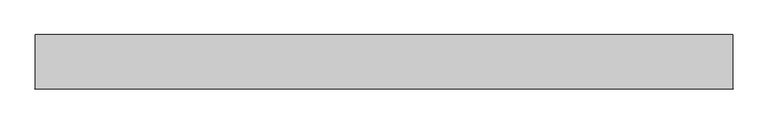
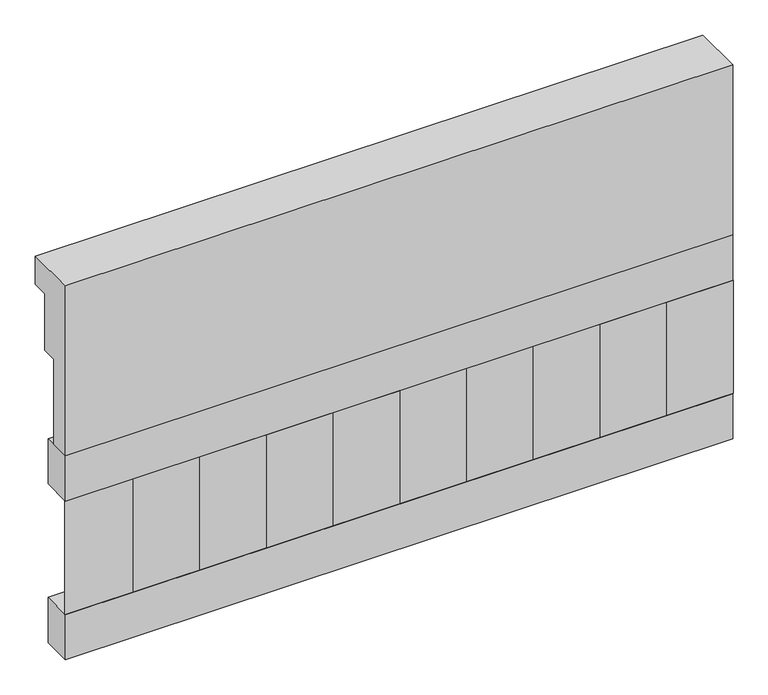
"""IFC4 building model written with IfcOpenShell, lengths in millimetres: railing geometry."""

from ifc_helpers import new_model, si_unit, frame, origin, place, context, project, spatial, polyline, outline, extrude, source, transform, mapped, element, save


def railing_8b920639(model_context):
    return source(origin(), model_context, "Body", "SweptSolid", [
        extrude(outline(polyline([(903.1079487, 25100.0), (1033.1079487, 25100.0), (1033.1079487, 25025.0), (993.1079487, 25025.0), (993.1079487, 24875.0), (953.1079487, 24875.0), (953.1079487, 24650.0), (903.1079487, 24650.0), (903.1079487, 25100.0)])), frame((22660.0112841, 0.0, 0.0), z_axis=(1.0, 0.0, 0.0), x_axis=(0.0, 1.0, 0.0)), (0.0, 0.0, 1.0), 1670.0),
        extrude(outline(polyline([(24330.0112841, 978.1079487), (24330.0112841, 903.1079487), (22660.0112841, 903.1079487), (22660.0112841, 978.1079487), (24330.0112841, 978.1079487)])), frame((0.0, 0.0, 24530.0), z_axis=(0.0, 0.0, 1.0), x_axis=(1.0, 0.0, 0.0)), (0.0, 0.0, 1.0), 120.0),
        extrude(outline(polyline([(24330.0112841, 978.1079487), (24330.0112841, 903.1079487), (22660.0112841, 903.1079487), (22660.0112841, 978.1079487), (24330.0112841, 978.1079487)])), frame((0.0, 0.0, 24110.0), z_axis=(0.0, 0.0, 1.0), x_axis=(1.0, 0.0, 0.0)), (0.0, 0.0, 1.0), 120.0),
        extrude(outline(polyline([(22743.5112841, 987.9607624), (22828.3640978, 903.1079487), (22658.6584704, 903.1079487), (22743.5112841, 987.9607624)])), frame((0.0, 0.0, 24230.0), z_axis=(0.0, 0.0, 1.0), x_axis=(1.0, 0.0, 0.0)), (0.0, 0.0, 1.0), 300.0),
        extrude(outline(polyline([(22910.5112841, 987.9607624), (22995.3640978, 903.1079487), (22825.6584704, 903.1079487), (22910.5112841, 987.9607624)])), frame((0.0, 0.0, 24230.0), z_axis=(0.0, 0.0, 1.0), x_axis=(1.0, 0.0, 0.0)), (0.0, 0.0, 1.0), 300.0),
        extrude(outline(polyline([(23077.5112841, 987.9607624), (23162.3640978, 903.1079487), (22992.6584704, 903.1079487), (23077.5112841, 987.9607624)])), frame((0.0, 0.0, 24230.0), z_axis=(0.0, 0.0, 1.0), x_axis=(1.0, 0.0, 0.0)), (0.0, 0.0, 1.0), 300.0),
        extrude(outline(polyline([(23244.5112841, 987.9607624), (23329.3640978, 903.1079487), (23159.6584704, 903.1079487), (23244.5112841, 987.9607624)])), frame((0.0, 0.0, 24230.0), z_axis=(0.0, 0.0, 1.0), x_axis=(1.0, 0.0, 0.0)), (0.0, 0.0, 1.0), 300.0),
        extrude(outline(polyline([(23411.5112841, 987.9607624), (23496.3640978, 903.1079487), (23326.6584704, 903.1079487), (23411.5112841, 987.9607624)])), frame((0.0, 0.0, 24230.0), z_axis=(0.0, 0.0, 1.0), x_axis=(1.0, 0.0, 0.0)), (0.0, 0.0, 1.0), 300.0),
        extrude(outline(polyline([(23578.5112841, 987.9607624), (23663.3640978, 903.1079487), (23493.6584704, 903.1079487), (23578.5112841, 987.9607624)])), frame((0.0, 0.0, 24230.0), z_axis=(0.0, 0.0, 1.0), x_axis=(1.0, 0.0, 0.0)), (0.0, 0.0, 1.0), 300.0),
        extrude(outline(polyline([(23745.5112841, 987.9607624), (23830.3640978, 903.1079487), (23660.6584704, 903.1079487), (23745.5112841, 987.9607624)])), frame((0.0, 0.0, 24230.0), z_axis=(0.0, 0.0, 1.0), x_axis=(1.0, 0.0, 0.0)), (0.0, 0.0, 1.0), 300.0),
        extrude(outline(polyline([(23912.5112841, 987.9607624), (23997.3640978, 903.1079487), (23827.6584704, 903.1079487), (23912.5112841, 987.9607624)])), frame((0.0, 0.0, 24230.0), z_axis=(0.0, 0.0, 1.0), x_axis=(1.0, 0.0, 0.0)), (0.0, 0.0, 1.0), 300.0),
        extrude(outline(polyline([(24079.5112841, 987.9607624), (24164.3640978, 903.1079487), (23994.6584704, 903.1079487), (24079.5112841, 987.9607624)])), frame((0.0, 0.0, 24230.0), z_axis=(0.0, 0.0, 1.0), x_axis=(1.0, 0.0, 0.0)), (0.0, 0.0, 1.0), 300.0),
        extrude(outline(polyline([(24246.5112841, 987.9607624), (24331.3640978, 903.1079487), (24161.6584704, 903.1079487), (24246.5112841, 987.9607624)])), frame((0.0, 0.0, 24230.0), z_axis=(0.0, 0.0, 1.0), x_axis=(1.0, 0.0, 0.0)), (0.0, 0.0, 1.0), 300.0),
    ])


if __name__ == "__main__":
    model = new_model("IFC4")
    model_context = context("Model", 3, world=origin())
    ifc_project = project(units=[si_unit("LENGTHUNIT", "METRE", prefix="MILLI")], contexts=[model_context])
    site = spatial("IfcSite", under=ifc_project)
    building = spatial("IfcBuilding", under=site)
    placement = place(None, origin())
    railing_shape = railing_8b920639(model_context)
    element("IfcRailing", 1, at=placement, inside=building, context=model_context, shape_type="MappedRepresentation", body=[
        mapped(railing_shape, transform((0.0, 0.0, 0.0), x_axis=(1.0, 0.0, 0.0), y_axis=(0.0, 1.0, 0.0), z_axis=(0.0, 0.0, 1.0))),
    ])
    save(model, "model.ifc")
